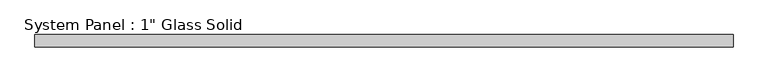
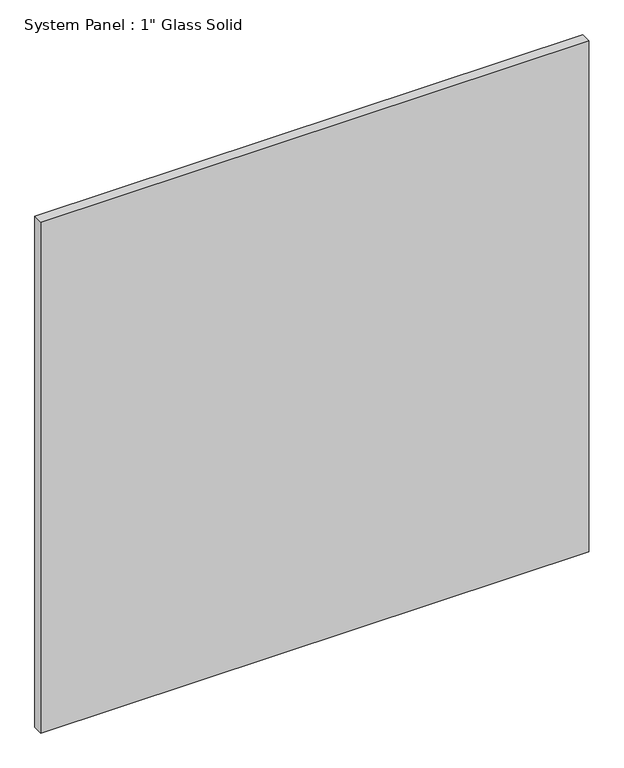
"""IFC4 building model written with IfcOpenShell, lengths in millimetres: plate geometry."""

from ifc_helpers import new_model, si_unit, origin, origin_with_axes, place, context, project, spatial, polyline, outline, extrude, source, transform, mapped, element, save


def plate_0453b0de(model_context):
    return source(origin(), model_context, "Body", "SweptSolid", [
        extrude(outline(polyline([(711.6804024, -12.7), (-711.6804024, -12.7), (-711.6804024, 12.7), (711.6804024, 12.7), (711.6804024, -12.7)])), origin_with_axes(), (0.0, 0.0, 1.0), 1403.2411731),
    ])


if __name__ == "__main__":
    model = new_model("IFC4")
    model_context = context("Model", 3, world=origin())
    ifc_project = project(units=[si_unit("LENGTHUNIT", "METRE", prefix="MILLI")], contexts=[model_context])
    site = spatial("IfcSite", under=ifc_project)
    building = spatial("IfcBuilding", under=site)
    placement = place(None, origin())
    plate_shape = plate_0453b0de(model_context)
    element("IfcPlate", 1, ObjectType="System Panel : 1\" Glass Solid", at=placement, inside=building, context=model_context, shape_type="MappedRepresentation", body=[
        mapped(plate_shape, transform((0.0, 0.0, 0.0), x_axis=(1.0, 0.0, 0.0), y_axis=(0.0, 1.0, 0.0), z_axis=(0.0, 0.0, 1.0))),
    ])
    save(model, "model.ifc")
